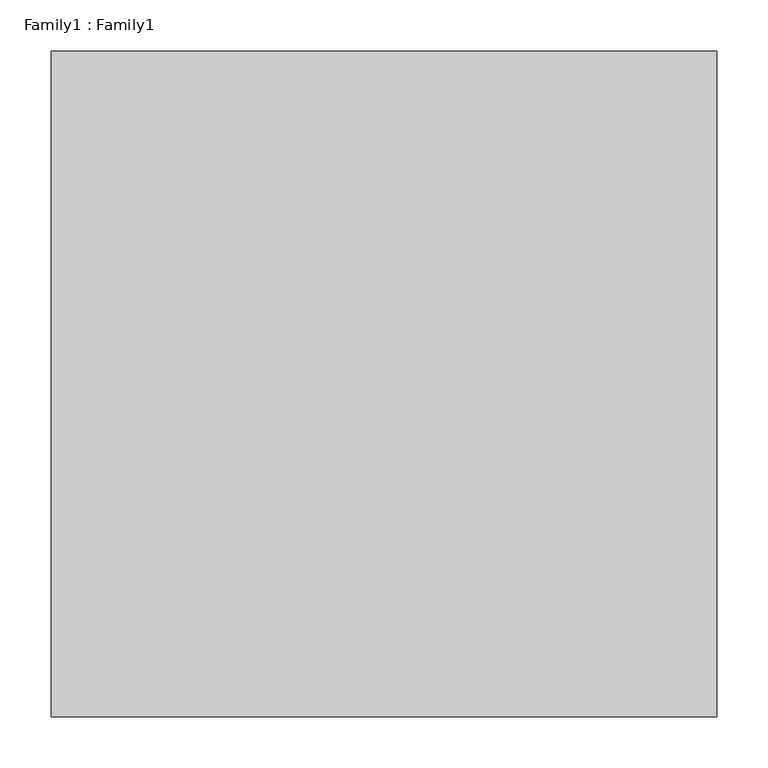
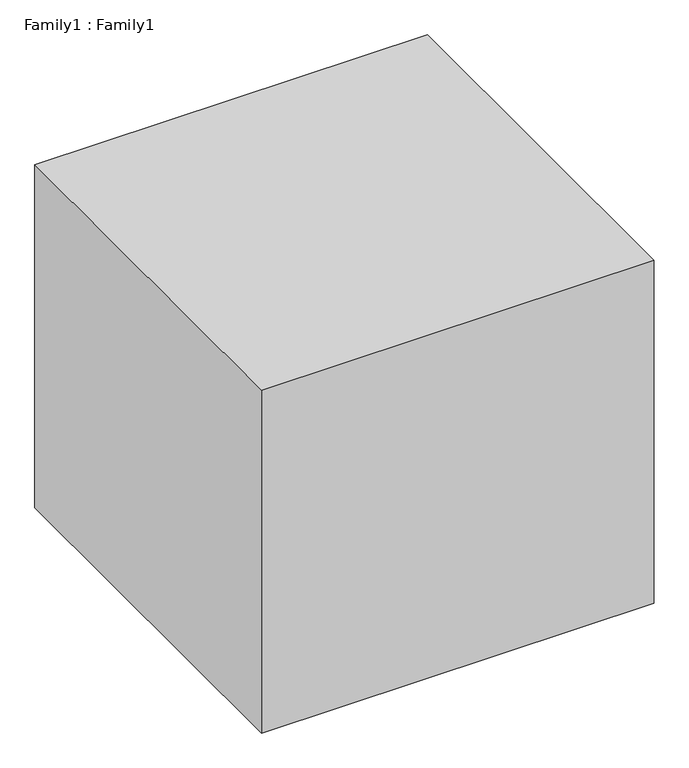
"""IFC4 building model written with IfcOpenShell, lengths in millimetres: proxy geometry, Family1 : Family1."""

from ifc_helpers import new_model, si_unit, origin, origin_with_axes, place, context, project, spatial, polyline, outline, extrude, source, transform, mapped, element, save


def family1_family1_3aad02bb(model_context):
    return source(origin(), model_context, "Body", "SweptSolid", [
        extrude(outline(polyline([(325.0, -350.0), (-325.0, -350.0), (-325.0, 300.0), (325.0, 300.0), (325.0, -350.0)])), origin_with_axes(), (0.0, 0.0, 1.0), 600.0),
    ])


if __name__ == "__main__":
    model = new_model("IFC4")
    model_context = context("Model", 3, world=origin())
    ifc_project = project(units=[si_unit("LENGTHUNIT", "METRE", prefix="MILLI")], contexts=[model_context])
    site = spatial("IfcSite", under=ifc_project)
    building = spatial("IfcBuilding", under=site)
    placement = place(None, origin())
    family1_family1_shape = family1_family1_3aad02bb(model_context)
    element("IfcBuildingElementProxy", 1, Name="Family1 : Family1", ObjectType="Family1 : Family1", at=placement, inside=building, context=model_context, shape_type="MappedRepresentation", body=[
        mapped(family1_family1_shape, transform((0.0, 0.0, 0.0), x_axis=(1.0, 0.0, 0.0), y_axis=(0.0, 1.0, 0.0), z_axis=(0.0, 0.0, 1.0))),
    ])
    save(model, "model.ifc")
